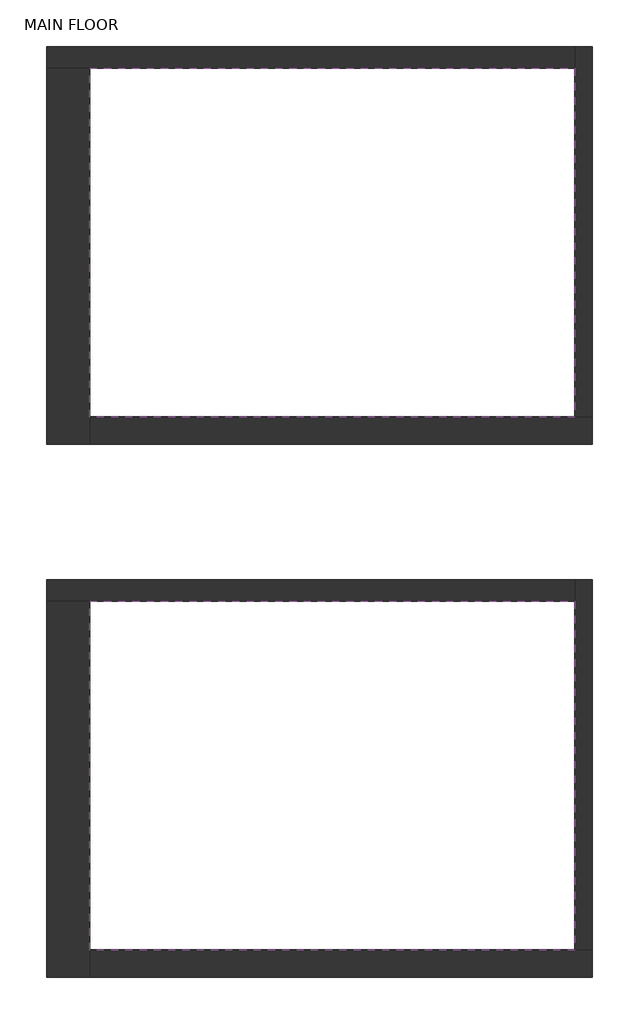
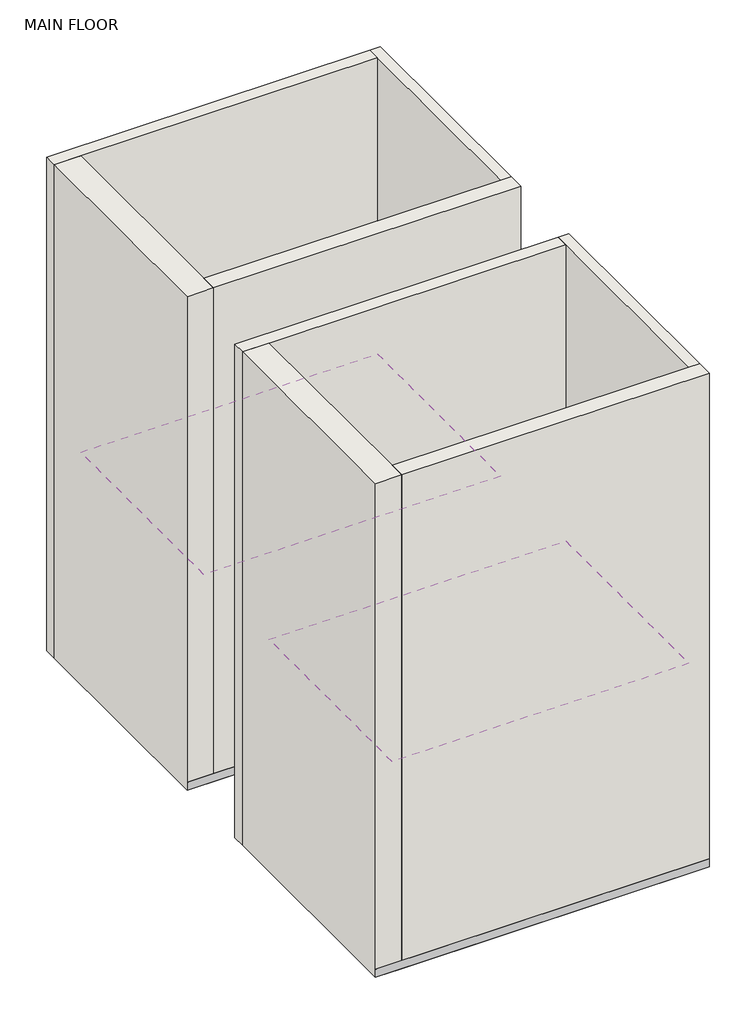
# One storey: 8 walls, 4 proxies, 2 coverings.
"""IFC4 building model written with IfcOpenShell, lengths in millimetres."""

from ifc_helpers import new_model, si_unit, frame, origin, place, context, project, spatial, polyline, outline, extrude, faceted_brep, element, save

model = new_model("IFC4")

# Units and contexts
model_context = context("Model", 3, world=origin())
ifc_project = project(units=[si_unit("LENGTHUNIT", "METRE", prefix="MILLI")], contexts=[model_context])

# Site, building, storey
site = spatial("IfcSite", under=ifc_project)
building = spatial("IfcBuilding", under=site)
storey = spatial("IfcBuildingStorey", under=building, Name="MAIN FLOOR", Elevation=30480.0)

# Proxies
placement = place(None, origin())
element("IfcBuildingElementProxy", 1, Name="Wall Sweeps", at=placement, inside=storey, context=model_context, shape_type="Brep", body=[
    faceted_brep([(4853.2670335, 344.9422635, 30581.6), (4853.2670335, 343.3547635, 30581.6), (4853.2670335, 343.3547635, 30480.0), (4853.2670335, 344.9422635, 30480.0), (954.3670335, 344.9422635, 30581.6), (954.3670335, 344.9422635, 30480.0), (954.3670335, 343.3547635, 30480.0), (954.3670335, 343.3547635, 30581.6), (1262.3420335, 344.9422635, 30480.0)], [[[0, 1, 2, 3]], [[4, 5, 6, 7]], [[1, 0, 4, 7]], [[2, 1, 7, 6]], [[3, 2, 6, 5, 8]], [[0, 3, 8, 5, 4]]]),
])
element("IfcBuildingElementProxy", 2, Name="Wall Sweeps", at=placement, inside=storey, context=model_context, shape_type="SweptSolid", body=[
    extrude(outline(polyline([(4729.4420335, 540.2047635), (4729.4420335, 538.6172635), (1262.3420335, 538.6172635), (1262.3420335, 540.2047635), (4729.4420335, 540.2047635)])), frame((0.0, 0.0, 30480.0), z_axis=(0.0, 0.0, 1.0), x_axis=(1.0, 0.0, 0.0)), (0.0, 0.0, 1.0), 101.6),
])
element("IfcBuildingElementProxy", 3, Name="Wall Sweeps", at=placement, inside=storey, context=model_context, shape_type="Brep", body=[
    faceted_brep([(4853.2670335, -3465.0577365, 30581.6), (4853.2670335, -3466.6452365, 30581.6), (4853.2670335, -3466.6452365, 30480.0), (4853.2670335, -3465.0577365, 30480.0), (954.3670335, -3465.0577365, 30581.6), (954.3670335, -3465.0577365, 30480.0), (954.3670335, -3466.6452365, 30480.0), (954.3670335, -3466.6452365, 30581.6), (1262.3420335, -3465.0577365, 30480.0)], [[[0, 1, 2, 3]], [[4, 5, 6, 7]], [[1, 0, 4, 7]], [[2, 1, 7, 6]], [[3, 2, 6, 5, 8]], [[0, 3, 8, 5, 4]]]),
])
element("IfcBuildingElementProxy", 4, Name="Wall Sweeps", at=placement, inside=storey, context=model_context, shape_type="SweptSolid", body=[
    extrude(outline(polyline([(4729.4420335, -3269.7952365), (4729.4420335, -3271.3827365), (1262.3420335, -3271.3827365), (1262.3420335, -3269.7952365), (4729.4420335, -3269.7952365)])), frame((0.0, 0.0, 30480.0), z_axis=(0.0, 0.0, 1.0), x_axis=(1.0, 0.0, 0.0)), (0.0, 0.0, 1.0), 101.6),
])

# Coverings
element("IfcCovering", 5, at=placement, inside=storey, context=model_context, shape_type="SweptSolid", body=[
    extrude(outline(polyline([(1262.3420335, 3030.9922635), (4729.4420335, 3030.9922635), (4729.4420335, 538.6172635), (1262.3420335, 538.6172635), (1262.3420335, 3030.9922635)])), frame((0.0, 0.0, 32918.4), z_axis=(0.0, 0.0, 1.0), x_axis=(1.0, 0.0, 0.0)), (0.0, 0.0, 1.0), 57.15),
])
element("IfcCovering", 6, at=placement, inside=storey, context=model_context, shape_type="SweptSolid", body=[
    extrude(outline(polyline([(1262.3420335, -779.0077365), (4729.4420335, -779.0077365), (4729.4420335, -3271.3827365), (1262.3420335, -3271.3827365), (1262.3420335, -779.0077365)])), frame((0.0, 0.0, 32918.4), z_axis=(0.0, 0.0, 1.0), x_axis=(1.0, 0.0, 0.0)), (0.0, 0.0, 1.0), 57.15),
])

# Walls
element("IfcWall", 7, at=placement, inside=storey, context=model_context, shape_type="Brep", body=[
    faceted_brep([(954.3670335, 3030.9922635, 30480.0), (1262.3420335, 3030.9922635, 30480.0), (4729.4420335, 3030.9922635, 30480.0), (4729.4420335, 3030.9922635, 36576.0), (1262.3420335, 3030.9922635, 36576.0), (954.3670335, 3030.9922635, 36576.0), (954.3670335, 3186.5672635, 30480.0), (954.3670335, 3186.5672635, 36576.0), (4729.4420335, 3186.5672635, 36576.0), (4729.4420335, 3186.5672635, 30480.0)], [[[0, 1, 2, 3, 4, 5]], [[6, 7, 8, 9]], [[2, 1, 0, 6, 9]], [[5, 4, 3, 8, 7]], [[0, 5, 7, 6]], [[3, 2, 9, 8]]]),
])
element("IfcWall", 8, at=placement, inside=storey, context=model_context, shape_type="Brep", body=[
    faceted_brep([(1262.3420335, 344.9422635, 30480.0), (1262.3420335, 538.6172635, 30480.0), (1262.3420335, 3030.9922635, 30480.0), (1262.3420335, 3030.9922635, 36576.0), (1262.3420335, 538.6172635, 36576.0), (1262.3420335, 344.9422635, 36576.0), (954.3670335, 344.9422635, 30480.0), (954.3670335, 344.9422635, 36576.0), (954.3670335, 3030.9922635, 36576.0), (954.3670335, 3030.9922635, 30480.0), (1005.1670335, 344.9422635, 30480.0), (1081.3670335, 344.9422635, 30480.0), (1081.3670335, 3030.9922635, 30480.0), (1005.1670335, 3030.9922635, 30480.0)], [[[0, 1, 2, 3, 4, 5]], [[6, 7, 8, 9]], [[5, 4, 3, 8, 7]], [[0, 5, 7, 6, 10, 11]], [[3, 2, 12, 13, 9, 8]], [[10, 6, 9, 13]], [[2, 1, 0, 11, 12]], [[11, 10, 13, 12]]]),
])
element("IfcWall", 9, at=placement, inside=storey, context=model_context, shape_type="Brep", body=[
    faceted_brep([(4853.2670335, 538.6172635, 30480.0), (4729.4420335, 538.6172635, 30480.0), (1262.3420335, 538.6172635, 30480.0), (1262.3420335, 538.6172635, 30581.6), (1262.3420335, 538.6172635, 36576.0), (4729.4420335, 538.6172635, 36576.0), (4853.2670335, 538.6172635, 36576.0), (4853.2670335, 344.9422635, 30480.0), (4853.2670335, 344.9422635, 30581.6), (4853.2670335, 344.9422635, 36576.0), (1262.3420335, 344.9422635, 36576.0), (1262.3420335, 344.9422635, 30480.0)], [[[0, 1, 2, 3, 4, 5, 6]], [[7, 8, 9, 10, 11]], [[2, 1, 0, 7, 11]], [[6, 5, 4, 10, 9]], [[0, 6, 9, 8, 7]], [[4, 3, 2, 11, 10]]]),
])
element("IfcWall", 10, at=placement, inside=storey, context=model_context, shape_type="Brep", body=[
    faceted_brep([(4729.4420335, 3186.5672635, 30480.0), (4729.4420335, 3030.9922635, 30480.0), (4729.4420335, 538.6172635, 30480.0), (4729.4420335, 538.6172635, 36576.0), (4729.4420335, 3030.9922635, 36576.0), (4729.4420335, 3186.5672635, 36576.0), (4853.2670335, 3186.5672635, 30480.0), (4853.2670335, 3186.5672635, 36576.0), (4853.2670335, 538.6172635, 36576.0), (4853.2670335, 538.6172635, 30480.0)], [[[0, 1, 2, 3, 4, 5]], [[6, 7, 8, 9]], [[2, 1, 0, 6, 9]], [[5, 4, 3, 8, 7]], [[0, 5, 7, 6]], [[3, 2, 9, 8]]]),
])
element("IfcWall", 11, at=placement, inside=storey, context=model_context, shape_type="Brep", body=[
    faceted_brep([(954.3670335, -779.0077365, 30480.0), (1262.3420335, -779.0077365, 30480.0), (4729.4420335, -779.0077365, 30480.0), (4729.4420335, -779.0077365, 36576.0), (1262.3420335, -779.0077365, 36576.0), (954.3670335, -779.0077365, 36576.0), (954.3670335, -623.4327365, 30480.0), (954.3670335, -623.4327365, 36576.0), (4729.4420335, -623.4327365, 36576.0), (4729.4420335, -623.4327365, 30480.0)], [[[0, 1, 2, 3, 4, 5]], [[6, 7, 8, 9]], [[2, 1, 0, 6, 9]], [[5, 4, 3, 8, 7]], [[0, 5, 7, 6]], [[3, 2, 9, 8]]]),
])
element("IfcWall", 12, at=placement, inside=storey, context=model_context, shape_type="Brep", body=[
    faceted_brep([(1262.3420335, -3465.0577365, 30480.0), (1262.3420335, -3271.3827365, 30480.0), (1262.3420335, -779.0077365, 30480.0), (1262.3420335, -779.0077365, 36576.0), (1262.3420335, -3271.3827365, 36576.0), (1262.3420335, -3465.0577365, 36576.0), (954.3670335, -3465.0577365, 30480.0), (954.3670335, -3465.0577365, 36576.0), (954.3670335, -779.0077365, 36576.0), (954.3670335, -779.0077365, 30480.0), (1005.1670335, -3465.0577365, 30480.0), (1081.3670335, -3465.0577365, 30480.0), (1081.3670335, -779.0077365, 30480.0), (1005.1670335, -779.0077365, 30480.0)], [[[0, 1, 2, 3, 4, 5]], [[6, 7, 8, 9]], [[5, 4, 3, 8, 7]], [[0, 5, 7, 6, 10, 11]], [[3, 2, 12, 13, 9, 8]], [[10, 6, 9, 13]], [[2, 1, 0, 11, 12]], [[11, 10, 13, 12]]]),
])
element("IfcWall", 13, at=placement, inside=storey, context=model_context, shape_type="Brep", body=[
    faceted_brep([(4853.2670335, -3271.3827365, 30480.0), (4729.4420335, -3271.3827365, 30480.0), (1262.3420335, -3271.3827365, 30480.0), (1262.3420335, -3271.3827365, 30581.6), (1262.3420335, -3271.3827365, 36576.0), (4729.4420335, -3271.3827365, 36576.0), (4853.2670335, -3271.3827365, 36576.0), (4853.2670335, -3465.0577365, 30480.0), (4853.2670335, -3465.0577365, 30581.6), (4853.2670335, -3465.0577365, 36576.0), (1262.3420335, -3465.0577365, 36576.0), (1262.3420335, -3465.0577365, 30480.0)], [[[0, 1, 2, 3, 4, 5, 6]], [[7, 8, 9, 10, 11]], [[2, 1, 0, 7, 11]], [[6, 5, 4, 10, 9]], [[0, 6, 9, 8, 7]], [[4, 3, 2, 11, 10]]]),
])
element("IfcWall", 14, at=placement, inside=storey, context=model_context, shape_type="Brep", body=[
    faceted_brep([(4729.4420335, -623.4327365, 30480.0), (4729.4420335, -779.0077365, 30480.0), (4729.4420335, -3271.3827365, 30480.0), (4729.4420335, -3271.3827365, 36576.0), (4729.4420335, -779.0077365, 36576.0), (4729.4420335, -623.4327365, 36576.0), (4853.2670335, -623.4327365, 30480.0), (4853.2670335, -623.4327365, 36576.0), (4853.2670335, -3271.3827365, 36576.0), (4853.2670335, -3271.3827365, 30480.0)], [[[0, 1, 2, 3, 4, 5]], [[6, 7, 8, 9]], [[2, 1, 0, 6, 9]], [[5, 4, 3, 8, 7]], [[0, 5, 7, 6]], [[3, 2, 9, 8]]]),
])

save(model, "model.ifc")
